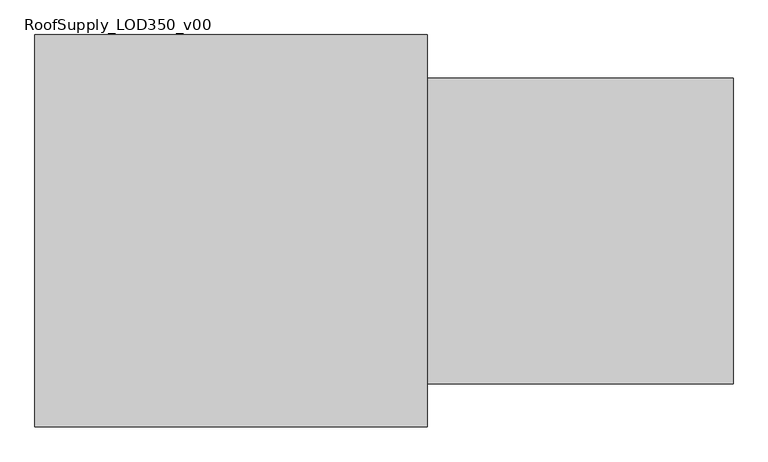
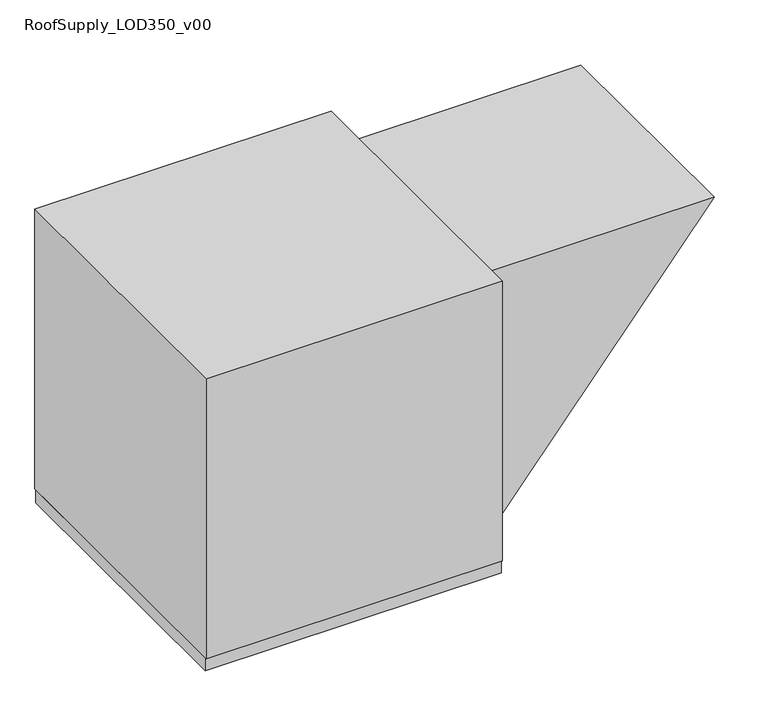
"""IFC4 building model written with IfcOpenShell, lengths in millimetres: proxy geometry, RoofSupply_LOD350_v00."""

from ifc_helpers import new_model, si_unit, frame, origin, place, context, project, spatial, polyline, outline, extrude, faceted_brep, source, transform, mapped, element, save


def roofsupply_lod350_v00_e72c9078(model_context):
    return source(origin(), model_context, "Body", "SolidModel", [
        extrude(outline(polyline([(1122.3625, 1214.3750884), (1122.3625, 304.7375884), (3.175, 304.7375884), (1122.3625, 1214.3750884)])), frame((0.0, -454.81875, 0.0), z_axis=(0.0, 1.0, 0.0), x_axis=(0.0, 0.0, 1.0)), (0.0, 0.0, 1.0), 909.6375),
        extrude(outline(polyline([(304.7375884, -584.2), (-863.6624116, -584.2), (-863.6624116, 584.2), (304.7375884, 584.2), (304.7375884, -584.2)])), frame((0.0, 0.0, 3.175), z_axis=(0.0, 0.0, 1.0), x_axis=(1.0, 0.0, 0.0)), (0.0, 0.0, 1.0), 1166.8125),
        faceted_brep([(304.7375884, -577.85, 3.175), (-863.6624116, -577.85, 3.175), (-863.6624116, -577.85, -50.8), (304.7375884, -577.85, -50.8), (304.7375884, 577.85, 3.175), (304.7375884, 577.85, -50.8), (-863.6624116, 577.85, -50.8), (-863.6624116, 577.85, 3.175), (303.1500884, -576.2625, -50.8), (303.1500884, 576.2625, -50.8), (-862.0749116, 576.2625, -50.8), (-862.0749116, -576.2625, -50.8), (303.1500884, 576.2625, 1.5875), (303.1500884, -576.2625, 1.5875), (-862.0749116, -576.2625, 1.5875), (-862.0749116, 576.2625, 1.5875)], [[[0, 1, 2, 3]], [[4, 5, 6, 7]], [[1, 0, 4, 7]], [[2, 1, 7, 6]], [[3, 2, 6, 5], [8, 9, 10, 11]], [[0, 3, 5, 4]], [[12, 13, 14, 15]], [[13, 12, 9, 8]], [[14, 13, 8, 11]], [[15, 14, 11, 10]], [[12, 15, 10, 9]]]),
    ])


if __name__ == "__main__":
    model = new_model("IFC4")
    model_context = context("Model", 3, world=origin())
    ifc_project = project(units=[si_unit("LENGTHUNIT", "METRE", prefix="MILLI")], contexts=[model_context])
    site = spatial("IfcSite", under=ifc_project)
    building = spatial("IfcBuilding", under=site)
    placement = place(None, origin())
    roofsupply_lod350_v00_shape = roofsupply_lod350_v00_e72c9078(model_context)
    element("IfcBuildingElementProxy", 1, Name="RoofSupply_LOD350_v00", ObjectType="RoofSupply_LOD350_v00", at=placement, inside=building, context=model_context, shape_type="MappedRepresentation", body=[
        mapped(roofsupply_lod350_v00_shape, transform((0.0, 0.0, 0.0), x_axis=(1.0, 0.0, 0.0), y_axis=(0.0, 1.0, 0.0), z_axis=(0.0, 0.0, 1.0))),
    ])
    save(model, "model.ifc")
